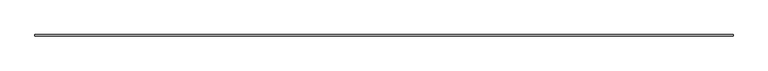
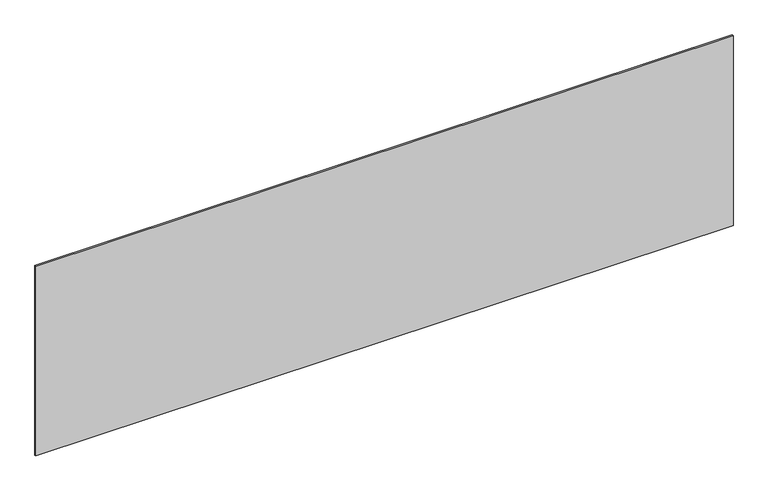
"""IFC4 building model written with IfcOpenShell, lengths in millimetres: plate geometry."""

from ifc_helpers import new_model, si_unit, origin, origin_with_axes, place, context, project, spatial, polyline, outline, extrude, source, transform, mapped, element, save


def plate_060ded80(model_context):
    return source(origin(), model_context, "Body", "SweptSolid", [
        extrude(outline(polyline([(2264.1666667, -5.0), (-2264.1666667, -5.0), (-2264.1666667, 5.0), (2264.1666667, 5.0), (2264.1666667, -5.0)])), origin_with_axes(), (0.0, 0.0, 1.0), 1302.8439899),
    ])


if __name__ == "__main__":
    model = new_model("IFC4")
    model_context = context("Model", 3, world=origin())
    ifc_project = project(units=[si_unit("LENGTHUNIT", "METRE", prefix="MILLI")], contexts=[model_context])
    site = spatial("IfcSite", under=ifc_project)
    building = spatial("IfcBuilding", under=site)
    placement = place(None, origin())
    plate_shape = plate_060ded80(model_context)
    element("IfcPlate", 1, at=placement, inside=building, context=model_context, shape_type="MappedRepresentation", body=[
        mapped(plate_shape, transform((0.0, 0.0, 0.0), x_axis=(1.0, 0.0, 0.0), y_axis=(0.0, 1.0, 0.0), z_axis=(0.0, 0.0, 1.0))),
    ])
    save(model, "model.ifc")
